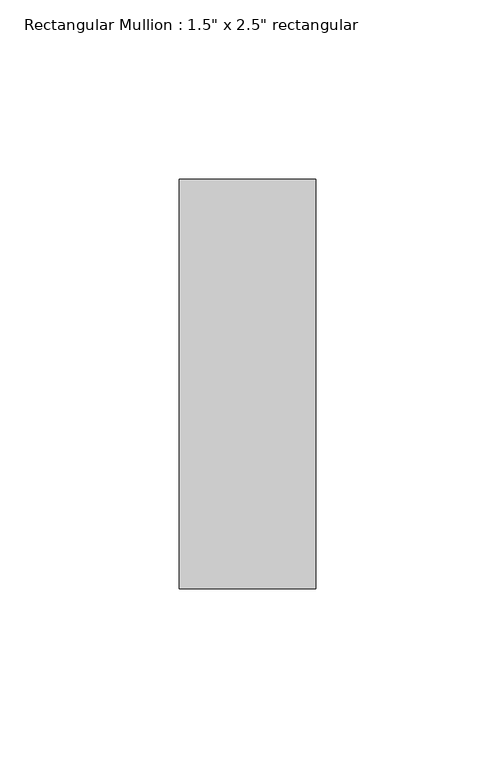
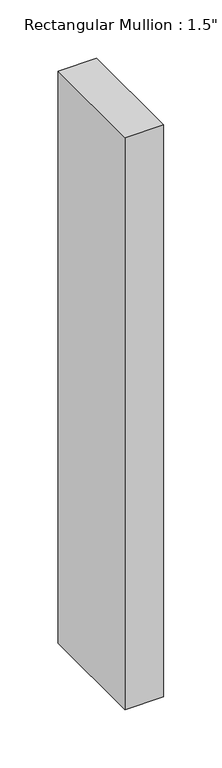
"""IFC4 building model written with IfcOpenShell, lengths in millimetres: member geometry."""

import ifcopenshell
import ifcopenshell.guid

model = None  # the IFC model being written
_history = None  # IfcOwnerHistory: only IFC2X3 demands one
_inside = {}  # id of a spatial element -> (the spatial element, [elements in it])
_under = {}  # id of a project, library or spatial element -> (it, [spatial elements below it])
_declared = {}  # id of a project -> (the project, [libraries it declares])
_typed = {}  # id of a type object -> (the type object, [elements of that type])
_made_of = {}  # id of a material, layer set ... -> (it, [elements and type objects made of it])


def new_model(schema):
    """Start an empty IFC model of exactly this schema.

    Asked for "IFC4X3", IfcOpenShell would pick the latest addendum, in which some entities
    have other attributes; the version numbers below select the first issue.
    IFC2X3 requires an IfcOwnerHistory on every rooted entity: one is made here for all.
    """
    global model, _history
    if schema == "IFC4X3":
        model = ifcopenshell.file(schema_version=(4, 3, 0, 0))
    else:
        model = ifcopenshell.file(schema=schema)
    _inside.clear()
    _under.clear()
    _declared.clear()
    _typed.clear()
    _made_of.clear()
    _history = None
    if model.schema == "IFC2X3":
        org = make("IfcOrganization", Name="unknown")
        user = make(
            "IfcPersonAndOrganization",
            ThePerson=make("IfcPerson", FamilyName="unknown"),
            TheOrganization=org,
        )
        app = make(
            "IfcApplication",
            ApplicationDeveloper=org,
            Version="unknown",
            ApplicationFullName="unknown",
            ApplicationIdentifier="unknown",
        )
        _history = make(
            "IfcOwnerHistory",
            OwningUser=user,
            OwningApplication=app,
            ChangeAction="ADDED",
            CreationDate=0,
        )
    return model


def make(cls, **values):
    """One entity of the class cls with the attributes given. An attribute that is None is left unset."""
    return model.create_entity(
        cls, **{name: value for name, value in values.items() if value is not None}
    )


def rooted(cls, **values):
    """An entity with a GlobalId (a new one), such as an element, a storey or a relation."""
    return make(cls, GlobalId=ifcopenshell.guid.new(), OwnerHistory=_history, **values)


def si_unit(unit_type, name, prefix=None):
    """IfcSIUnit, for example si_unit("LENGTHUNIT", "METRE", prefix="MILLI")."""
    return make("IfcSIUnit", UnitType=unit_type, Prefix=prefix, Name=name)


def assignment(units):
    """IfcUnitAssignment: the units of a project."""
    return None if units is None else make("IfcUnitAssignment", Units=units)


def point(xyz):
    """IfcCartesianPoint."""
    return None if xyz is None else make("IfcCartesianPoint", Coordinates=xyz)


def direction(xyz):
    """IfcDirection."""
    return None if xyz is None else make("IfcDirection", DirectionRatios=xyz)


def frame(location, z_axis=None, x_axis=None):
    """IfcAxis2Placement3D, a coordinate frame: its origin and axes. An axis left out is left unset."""
    return make(
        "IfcAxis2Placement3D",
        Location=point(location),
        Axis=direction(z_axis),
        RefDirection=direction(x_axis),
    )


def origin():
    """The frame at (0, 0, 0) with its axes left unset."""
    return frame((0.0, 0.0, 0.0))


def place(relative_to, where):
    """IfcLocalPlacement: puts the frame where relative to a parent placement (None: the world)."""
    return make(
        "IfcLocalPlacement", PlacementRelTo=relative_to, RelativePlacement=where
    )


def context(
    kind, dimensions, precision=None, world=None, true_north=None, identifier=None
):
    """IfcGeometricRepresentationContext, for example the 3D "Model" context."""
    return make(
        "IfcGeometricRepresentationContext",
        ContextIdentifier=identifier,
        ContextType=kind,
        CoordinateSpaceDimension=dimensions,
        Precision=precision,
        WorldCoordinateSystem=world,
        TrueNorth=true_north,
    )


def project(units=None, contexts=None):
    """IfcProject with its units and contexts."""
    return rooted(
        "IfcProject",
        Name="project",
        RepresentationContexts=contexts,
        UnitsInContext=assignment(units),
    )


def spatial(cls, under=None, at=None, **own):
    """A site, building, storey or space (cls), placed at a placement, below another one or the project."""
    s = rooted(cls, ObjectPlacement=at, **own)
    if under is not None:
        _under.setdefault(under.id(), (under, []))[1].append(s)
    return s


def polyline(points):
    """IfcPolyline through the points."""
    return make("IfcPolyline", Points=[point(p) for p in points])


def outline(outer, holes=None, kind="AREA"):
    """IfcArbitraryClosedProfileDef: a profile drawn as a closed curve; with holes, ...WithVoids."""
    if holes is None:
        return make("IfcArbitraryClosedProfileDef", ProfileType=kind, OuterCurve=outer)
    return make(
        "IfcArbitraryProfileDefWithVoids",
        ProfileType=kind,
        OuterCurve=outer,
        InnerCurves=holes,
    )


def extrude(swept, where, along, depth):
    """IfcExtrudedAreaSolid: the profile swept, set in the frame where, extruded along a direction by depth."""
    return make(
        "IfcExtrudedAreaSolid",
        SweptArea=swept,
        Position=where,
        ExtrudedDirection=direction(along),
        Depth=depth,
    )


def shape(context_of_items, identifier, shape_type, items):
    """IfcShapeRepresentation: the items that make up one representation, for example the "Body"."""
    return make(
        "IfcShapeRepresentation",
        ContextOfItems=context_of_items,
        RepresentationIdentifier=identifier,
        RepresentationType=shape_type,
        Items=items,
    )


def source(mapping_origin, context_of_items, identifier, shape_type, items):
    """IfcRepresentationMap: a shape defined once, which mapped items show again and again."""
    return make(
        "IfcRepresentationMap",
        MappingOrigin=mapping_origin,
        MappedRepresentation=shape(context_of_items, identifier, shape_type, items),
    )


def transform(
    local_origin,
    x_axis=None,
    y_axis=None,
    z_axis=None,
    scale=None,
    scale2=None,
    scale3=None,
    uniform=True,
):
    """IfcCartesianTransformationOperator3D, or its non-uniform kind. x_axis, y_axis, z_axis: its Axis1, 2, 3."""
    if uniform:
        return make(
            "IfcCartesianTransformationOperator3D",
            Axis1=direction(x_axis),
            Axis2=direction(y_axis),
            LocalOrigin=point(local_origin),
            Scale=scale,
            Axis3=direction(z_axis),
        )
    return make(
        "IfcCartesianTransformationOperator3DnonUniform",
        Axis1=direction(x_axis),
        Axis2=direction(y_axis),
        LocalOrigin=point(local_origin),
        Scale=scale,
        Axis3=direction(z_axis),
        Scale2=scale2,
        Scale3=scale3,
    )


def mapped(mapping_source, mapping_target):
    """IfcMappedItem: shows the shape of a source again, moved by a transform."""
    return make(
        "IfcMappedItem", MappingSource=mapping_source, MappingTarget=mapping_target
    )


def made_of(thing, what):
    """Note that an element or type object is made of a material, layer set ...; save() writes the relation."""
    if what is not None:
        _made_of.setdefault(what.id(), (what, []))[1].append(thing)
    return thing


def element(
    cls,
    number,
    at=None,
    inside=None,
    cuts=None,
    type_object=None,
    material=None,
    context=None,
    identifier="Body",
    shape_type=None,
    held_by="IfcProductDefinitionShape",
    body=None,
    shapes=None,
    **own,
):
    """One element of the class cls, such as IfcWall. Its Tag is "e" and its number.

    at: its placement. inside: the storey or other place that contains it. cuts: it is an
    opening in that element (IfcRelVoidsElement). A single representation is given by context,
    identifier, shape_type and body (its items); several are given by shapes. held_by: the class
    of the entity that holds the representations. save() writes the other relations.
    """
    e = rooted(cls, Tag="e%d" % number, ObjectPlacement=at, **own)
    if body is not None:
        shapes = [shape(context, identifier, shape_type, body)]
    if shapes is not None:
        e.Representation = make(held_by, Representations=shapes)
    if inside is not None:
        _inside.setdefault(inside.id(), (inside, []))[1].append(e)
    if cuts is not None:
        rooted(
            "IfcRelVoidsElement", RelatingBuildingElement=cuts, RelatedOpeningElement=e
        )
    if type_object is not None:
        _typed.setdefault(type_object.id(), (type_object, []))[1].append(e)
    return made_of(e, material)


def aggregate(whole, parts):
    """IfcRelAggregates: a whole, such as a stair, and the parts it consists of."""
    return rooted("IfcRelAggregates", RelatingObject=whole, RelatedObjects=parts)


def save(model, path):
    """Write the relations noted so far, then the file.

    IfcRelAggregates (storeys below a building ...), IfcRelContainedInSpatialStructure (elements
    in a storey), IfcRelDefinesByType, IfcRelAssociatesMaterial and IfcRelDeclares: one each for
    every whole, place, type object, material and project.
    """
    for whole, parts in _under.values():
        aggregate(whole, parts)
    for where, things in _inside.values():
        rooted(
            "IfcRelContainedInSpatialStructure",
            RelatedElements=things,
            RelatingStructure=where,
        )
    for kind, things in _typed.values():
        rooted("IfcRelDefinesByType", RelatedObjects=things, RelatingType=kind)
    for what, things in _made_of.values():
        rooted("IfcRelAssociatesMaterial", RelatedObjects=things, RelatingMaterial=what)
    for by, libraries in _declared.values():
        rooted("IfcRelDeclares", RelatingContext=by, RelatedDefinitions=libraries)
    model.write(path)


def member_aaa86b2f(model_context):
    return source(origin(), model_context, "Body", "SweptSolid", [
        extrude(outline(polyline([(19.05, 57.15), (19.05, -57.15), (-19.05, -57.15), (-19.05, 57.15), (19.05, 57.15)])), frame((0.0, 0.0, -597.69375), z_axis=(0.0, 0.0, 1.0), x_axis=(1.0, 0.0, 0.0)), (0.0, 0.0, 1.0), 597.69375),
    ])


if __name__ == "__main__":
    model = new_model("IFC4")
    model_context = context("Model", 3, world=origin())
    ifc_project = project(units=[si_unit("LENGTHUNIT", "METRE", prefix="MILLI")], contexts=[model_context])
    site = spatial("IfcSite", under=ifc_project)
    building = spatial("IfcBuilding", under=site)
    placement = place(None, origin())
    member_shape = member_aaa86b2f(model_context)
    element("IfcMember", 1, ObjectType="Rectangular Mullion : 1.5\" x 2.5\" rectangular", at=placement, inside=building, context=model_context, shape_type="MappedRepresentation", body=[
        mapped(member_shape, transform((0.0, 0.0, 0.0), x_axis=(1.0, 0.0, 0.0), y_axis=(0.0, 1.0, 0.0), z_axis=(0.0, 0.0, 1.0))),
    ])
    save(model, "model.ifc")
